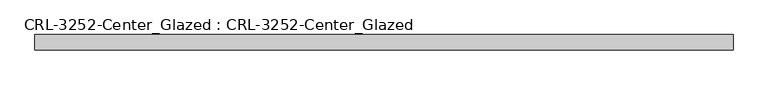
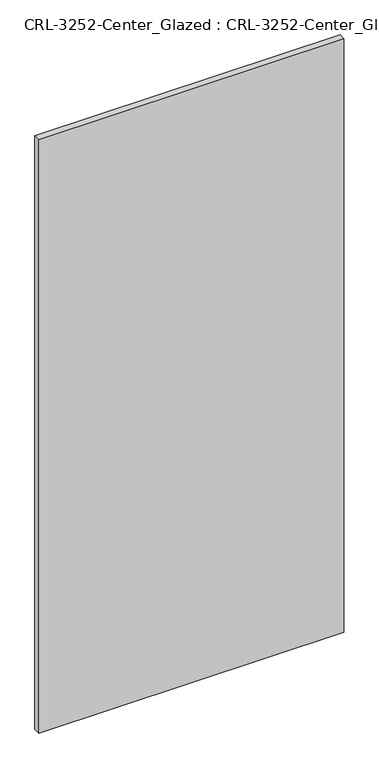
"""IFC4 building model written with IfcOpenShell, lengths in millimetres: plate geometry, CRL-3252-Center_Glazed : CRL-3252-Center_Glazed."""

from ifc_helpers import new_model, si_unit, origin, origin_with_axes, place, context, project, spatial, polyline, outline, extrude, source, transform, mapped, element, save


def crl_3252_center_glazed_crl_3252_center_glazed_f2def6c6(model_context):
    return source(origin(), model_context, "Body", "SweptSolid", [
        extrude(outline(polyline([(583.9769969, 12.7), (583.9769969, -12.7), (-583.9769969, -12.7), (-583.9769969, 12.7), (583.9769969, 12.7)])), origin_with_axes(), (0.0, 0.0, 1.0), 2400.0002773),
    ])


if __name__ == "__main__":
    model = new_model("IFC4")
    model_context = context("Model", 3, world=origin())
    ifc_project = project(units=[si_unit("LENGTHUNIT", "METRE", prefix="MILLI")], contexts=[model_context])
    site = spatial("IfcSite", under=ifc_project)
    building = spatial("IfcBuilding", under=site)
    placement = place(None, origin())
    crl_3252_center_glazed_crl_3252_center_glazed_shape = crl_3252_center_glazed_crl_3252_center_glazed_f2def6c6(model_context)
    element("IfcPlate", 1, ObjectType="CRL-3252-Center_Glazed : CRL-3252-Center_Glazed", at=placement, inside=building, context=model_context, shape_type="MappedRepresentation", body=[
        mapped(crl_3252_center_glazed_crl_3252_center_glazed_shape, transform((0.0, 0.0, 0.0), x_axis=(1.0, 0.0, 0.0), y_axis=(0.0, 1.0, 0.0), z_axis=(0.0, 0.0, 1.0))),
    ])
    save(model, "model.ifc")
